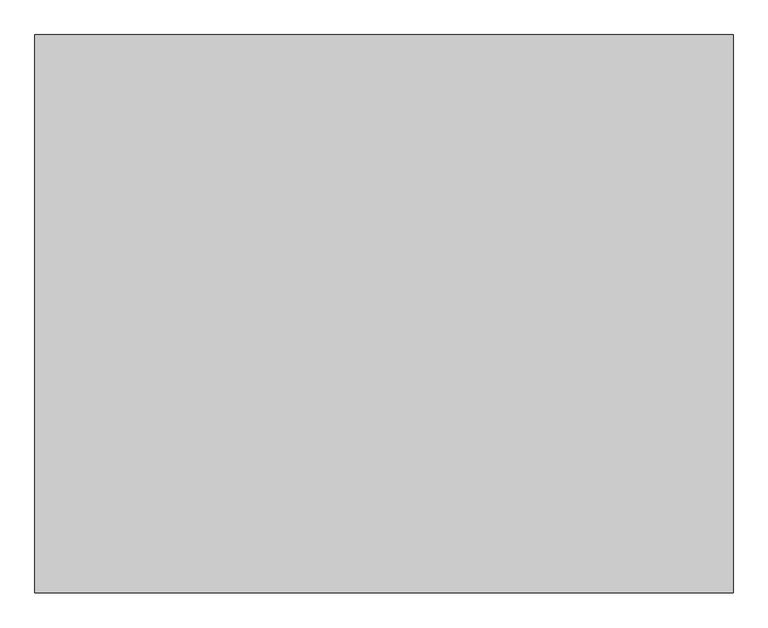
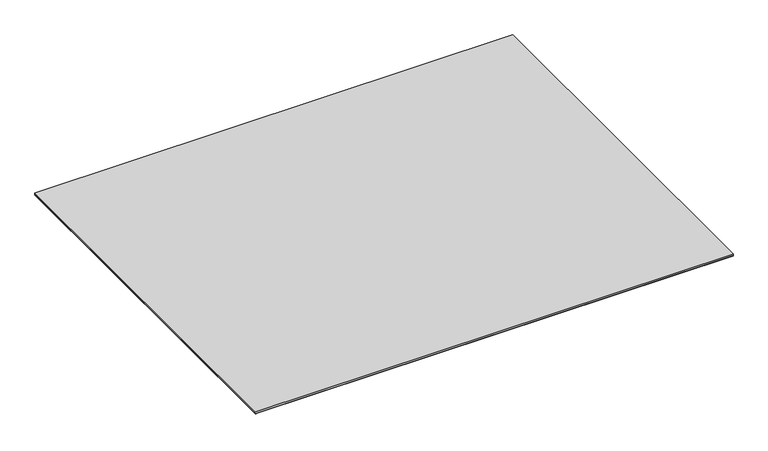
"""IFC4 building model written with IfcOpenShell, lengths in millimetres: proxy geometry."""

from ifc_helpers import new_model, si_unit, point, frame, frame_2d, origin, place, context, project, spatial, polyline, circle_curve, trimmed, segment, composite_curve, outline, extrude, source, transform, mapped, element, save


def specialty_equipment_657541c1(model_context):
    return source(origin(), model_context, "Body", "SweptSolid", [
        extrude(outline(composite_curve([segment(polyline([(388.9375, 5.07229), (387.3790283, 3.5138184), (380.2253, 3.5138184)]), True, "CONTINUOUS"), segment(trimmed(circle_curve(frame_2d((380.2253, 2.7010184)), 0.8128), [point((380.2253, 3.5138184))], [point((379.4125, 2.7010184))], True, "CARTESIAN"), True, "CONTINUOUS"), segment(polyline([(379.4125, 2.7010184), (379.4125, 0.0), (357.1875, 0.0)]), True, "CONTINUOUS"), segment(trimmed(circle_curve(frame_2d((360.7013184, 0.0)), 3.5138184), [point((357.1875, 0.0))], [point((360.7013184, 3.5138184))], False, "CARTESIAN"), True, "CONTINUOUS"), segment(polyline([(360.7013184, 3.5138184), (373.3796736, 3.5138184)]), True, "CONTINUOUS"), segment(trimmed(circle_curve(frame_2d((373.3796736, 4.3520184)), 0.8382), [point((373.3796736, 3.5138184))], [point((374.2178736, 4.3520184))], True, "CARTESIAN"), True, "CONTINUOUS"), segment(polyline([(374.2178736, 4.3520184), (374.2178736, 6.0198)]), True, "CONTINUOUS"), segment(trimmed(circle_curve(frame_2d((375.0560736, 6.0198)), 0.8382), [point((374.2178736, 6.0198))], [point((375.0560736, 6.858))], False, "CARTESIAN"), True, "CONTINUOUS"), segment(polyline([(375.0560736, 6.858), (388.9375, 6.858), (388.9375, 5.07229)]), True, "CONTINUOUS")], self_intersect=False)), frame((-711.2, 0.0, 0.0), z_axis=(1.0, 0.0, 0.0), x_axis=(0.0, 1.0, 0.0)), (0.0, 0.0, 1.0), 1422.4),
        extrude(outline(composite_curve([segment(polyline([(388.9375, 6.858), (465.1375, 6.858)]), True, "CONTINUOUS"), segment(trimmed(circle_curve(frame_2d((461.7085, 6.858)), 3.429), [point((465.1375, 6.858))], [point((461.7085, 3.429))], False, "CARTESIAN"), True, "CONTINUOUS"), segment(polyline([(461.7085, 3.429), (396.1003, 3.429)]), True, "CONTINUOUS"), segment(trimmed(circle_curve(frame_2d((396.1003, 2.6162)), 0.8128), [point((396.1003, 3.429))], [point((395.2875, 2.6162))], True, "CARTESIAN"), True, "CONTINUOUS"), segment(polyline([(395.2875, 2.6162), (395.2875, 0.0), (379.4125, 0.0), (379.4125, 0.8639404), (381.9775596, 3.429), (388.9375, 3.429), (388.9375, 6.858)]), True, "CONTINUOUS")], self_intersect=False)), frame((-711.2, 0.0, 0.0), z_axis=(1.0, 0.0, 0.0), x_axis=(0.0, 1.0, 0.0)), (0.0, 0.0, 1.0), 1422.4),
        extrude(outline(composite_curve([segment(polyline([(-423.8625, 5.07229), (-425.4209717, 3.5138184), (-432.5747, 3.5138184)]), True, "CONTINUOUS"), segment(trimmed(circle_curve(frame_2d((-432.5747, 2.7010184)), 0.8128), [point((-432.5747, 3.5138184))], [point((-433.3875, 2.7010184))], True, "CARTESIAN"), True, "CONTINUOUS"), segment(polyline([(-433.3875, 2.7010184), (-433.3875, 0.0), (-455.6125, 0.0)]), True, "CONTINUOUS"), segment(trimmed(circle_curve(frame_2d((-452.0986816, 0.0)), 3.5138184), [point((-455.6125, 0.0))], [point((-452.0986816, 3.5138184))], False, "CARTESIAN"), True, "CONTINUOUS"), segment(polyline([(-452.0986816, 3.5138184), (-439.4203264, 3.5138184)]), True, "CONTINUOUS"), segment(trimmed(circle_curve(frame_2d((-439.4203264, 4.3520184)), 0.8382), [point((-439.4203264, 3.5138184))], [point((-438.5821264, 4.3520184))], True, "CARTESIAN"), True, "CONTINUOUS"), segment(polyline([(-438.5821264, 4.3520184), (-438.5821264, 6.0198)]), True, "CONTINUOUS"), segment(trimmed(circle_curve(frame_2d((-437.7439264, 6.0198)), 0.8382), [point((-438.5821264, 6.0198))], [point((-437.7439264, 6.858))], False, "CARTESIAN"), True, "CONTINUOUS"), segment(polyline([(-437.7439264, 6.858), (-423.8625, 6.858), (-423.8625, 5.07229)]), True, "CONTINUOUS")], self_intersect=False)), frame((-711.2, 0.0, 0.0), z_axis=(1.0, 0.0, 0.0), x_axis=(0.0, 1.0, 0.0)), (0.0, 0.0, 1.0), 1422.4),
        extrude(outline(composite_curve([segment(polyline([(-423.8625, 6.858), (-347.6625, 6.858)]), True, "CONTINUOUS"), segment(trimmed(circle_curve(frame_2d((-351.0915, 6.858)), 3.429), [point((-347.6625, 6.858))], [point((-351.0915, 3.429))], False, "CARTESIAN"), True, "CONTINUOUS"), segment(polyline([(-351.0915, 3.429), (-416.6997, 3.429)]), True, "CONTINUOUS"), segment(trimmed(circle_curve(frame_2d((-416.6997, 2.6162)), 0.8128), [point((-416.6997, 3.429))], [point((-417.5125, 2.6162))], True, "CARTESIAN"), True, "CONTINUOUS"), segment(polyline([(-417.5125, 2.6162), (-417.5125, 0.0), (-433.3875, 0.0), (-433.3875, 0.8639404), (-430.8224404, 3.429), (-423.8625, 3.429), (-423.8625, 6.858)]), True, "CONTINUOUS")], self_intersect=False)), frame((-711.2, 0.0, 0.0), z_axis=(1.0, 0.0, 0.0), x_axis=(0.0, 1.0, 0.0)), (0.0, 0.0, 1.0), 1422.4),
        extrude(outline(polyline([(-762.0, 609.6), (762.0, 609.6), (762.0, -609.6), (-762.0, -609.6), (-762.0, 609.6)])), frame((0.0, 0.0, 6.8460937), z_axis=(0.0, 0.0, 1.0), x_axis=(1.0, 0.0, 0.0)), (0.0, 0.0, 1.0), 0.79375),
        extrude(outline(polyline([(762.0, -609.6), (-762.0, -609.6), (-762.0, 609.6), (762.0, 609.6), (762.0, -609.6)])), frame((0.0, 0.0, 7.6398438), z_axis=(0.0, 0.0, 1.0), x_axis=(1.0, 0.0, 0.0)), (0.0, 0.0, 1.0), 6.35),
    ])


if __name__ == "__main__":
    model = new_model("IFC4")
    model_context = context("Model", 3, world=origin())
    ifc_project = project(units=[si_unit("LENGTHUNIT", "METRE", prefix="MILLI")], contexts=[model_context])
    site = spatial("IfcSite", under=ifc_project)
    building = spatial("IfcBuilding", under=site)
    placement = place(None, origin())
    specialty_equipment_shape = specialty_equipment_657541c1(model_context)
    element("IfcBuildingElementProxy", 1, Name="Specialty Equipment", at=placement, inside=building, context=model_context, shape_type="MappedRepresentation", body=[
        mapped(specialty_equipment_shape, transform((0.0, 0.0, 0.0), x_axis=(1.0, 0.0, 0.0), y_axis=(0.0, 1.0, 0.0), z_axis=(0.0, 0.0, 1.0))),
    ])
    save(model, "model.ifc")
